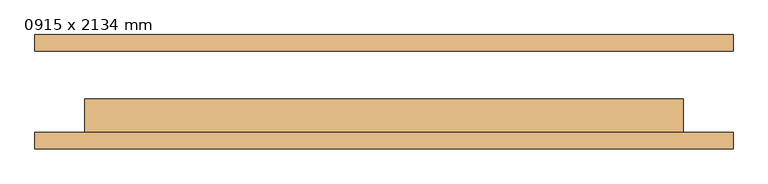
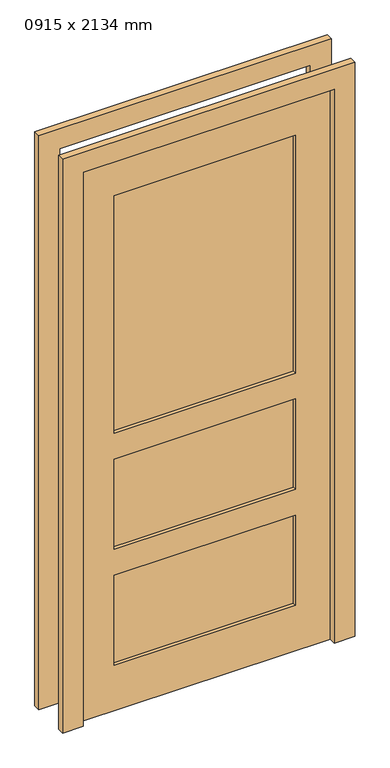
"""IFC4 building model written with IfcOpenShell, lengths in millimetres: door geometry, 0915 x 2134 mm."""

from ifc_helpers import new_model, si_unit, frame, origin, place, context, project, spatial, polyline, outline, extrude, source, transform, mapped, element, save


def door_0915_x_2134_mm_3f9c6b78(model_context):
    return source(origin(), model_context, "Body", "SweptSolid", [
        extrude(outline(polyline([(0.0, -533.5), (0.0, -457.5), (2134.0, -457.5), (2134.0, 457.5), (0.0, 457.5), (0.0, 533.5), (2210.0, 533.5), (2210.0, -533.5), (0.0, -533.5)])), frame((0.0, 62.0, 0.0), z_axis=(0.0, 1.0, 0.0), x_axis=(0.0, 0.0, 1.0)), (0.0, 0.0, 1.0), 25.0),
        extrude(outline(polyline([(0.0, 533.5), (2210.0, 533.5), (2210.0, -533.5), (0.0, -533.5), (0.0, -457.5), (2134.0, -457.5), (2134.0, 457.5), (0.0, 457.5), (0.0, 533.5)])), frame((0.0, -87.4, 0.0), z_axis=(0.0, 1.0, 0.0), x_axis=(0.0, 0.0, 1.0)), (0.0, 0.0, 1.0), 25.0),
        extrude(outline(polyline([(330.5, -23.7), (330.5, -49.3), (-330.5, -49.3), (-330.5, -23.7), (330.5, -23.7)])), frame((0.0, 0.0, 1069.0), z_axis=(0.0, 0.0, 1.0), x_axis=(1.0, 0.0, 0.0)), (0.0, 0.0, 1.0), 915.0),
        extrude(outline(polyline([(330.5, -23.7), (330.5, -49.3), (-330.5, -49.3), (-330.5, -23.7), (330.5, -23.7)])), frame((0.0, 0.0, 622.0), z_axis=(0.0, 0.0, 1.0), x_axis=(1.0, 0.0, 0.0)), (0.0, 0.0, 1.0), 347.0),
        extrude(outline(polyline([(330.5, -23.7), (330.5, -49.3), (-330.5, -49.3), (-330.5, -23.7), (330.5, -23.7)])), frame((0.0, 0.0, 175.0), z_axis=(0.0, 0.0, 1.0), x_axis=(1.0, 0.0, 0.0)), (0.0, 0.0, 1.0), 347.0),
        extrude(outline(polyline([(2134.0, 457.5), (2134.0, -457.5), (0.0, -457.5), (0.0, 457.5), (2134.0, 457.5)]), holes=[polyline([(1069.0, 330.5), (1069.0, -330.5), (1984.0, -330.5), (1984.0, 330.5), (1069.0, 330.5)]), polyline([(622.0, 330.5), (622.0, -330.5), (969.0, -330.5), (969.0, 330.5), (622.0, 330.5)]), polyline([(522.0, 330.5), (175.0, 330.5), (175.0, -330.5), (522.0, -330.5), (522.0, 330.5)])]), frame((0.0, -62.0, 0.0), z_axis=(0.0, 1.0, 0.0), x_axis=(0.0, 0.0, 1.0)), (0.0, 0.0, 1.0), 51.0),
    ])


if __name__ == "__main__":
    model = new_model("IFC4")
    model_context = context("Model", 3, world=origin())
    ifc_project = project(units=[si_unit("LENGTHUNIT", "METRE", prefix="MILLI")], contexts=[model_context])
    site = spatial("IfcSite", under=ifc_project)
    building = spatial("IfcBuilding", under=site)
    placement = place(None, origin())
    door_0915_x_2134_mm_shape = door_0915_x_2134_mm_3f9c6b78(model_context)
    element("IfcDoor", 1, ObjectType="0915 x 2134 mm", at=placement, inside=building, context=model_context, shape_type="MappedRepresentation", body=[
        mapped(door_0915_x_2134_mm_shape, transform((0.0, 0.0, 0.0), x_axis=(1.0, 0.0, 0.0), y_axis=(0.0, 1.0, 0.0), z_axis=(0.0, 0.0, 1.0))),
    ])
    save(model, "model.ifc")
